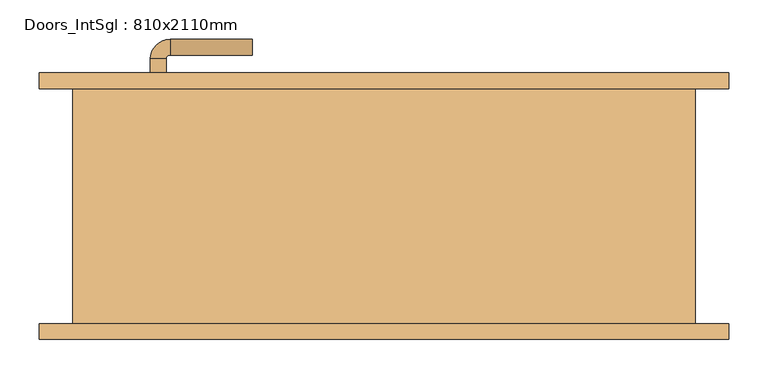
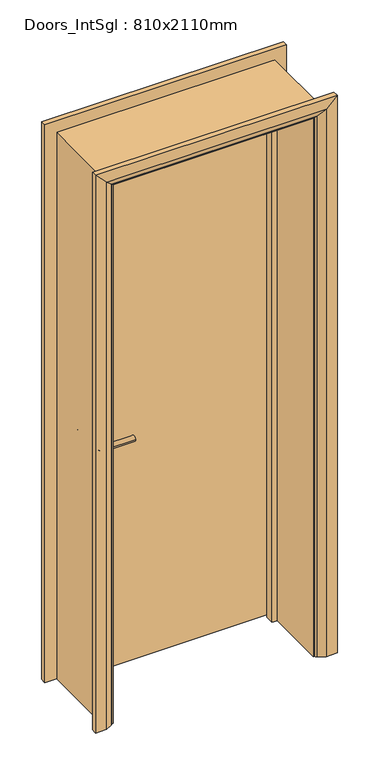
"""IFC4 building model written with IfcOpenShell, lengths in millimetres: door geometry, Doors_IntSgl : 810x2110mm."""

from ifc_helpers import new_model, si_unit, point, frame, frame_2d, origin, place, context, project, spatial, polyline, circle_curve, ellipse_curve, trimmed, segment, composite_curve, outline, extrude, faceted_brep, source, transform, mapped, element, save
from ifc_brep_helpers import plane_surface, cylinder_surface, revolved_surface, advanced_brep


def doors_intsgl_810x2110mm_bf6118a2(model_context):
    return source(origin(), model_context, "Body", "SolidModel", [
        advanced_brep(
        [(-298.0, 104.0, 900.0), (-278.0, 104.0, 900.0), (-278.0, 74.0, 900.0), (-298.0, 74.0, 900.0), (-273.0, 69.0, 900.0), (-273.0, 49.0, 900.0), (-168.0, 49.0, 900.0), (-168.0, 69.0, 900.0)],
        [
            (0, 1, circle_curve(frame((-288.0, 104.0, 900.0), z_axis=(0.0, 1.0, 0.0), x_axis=(1.0, 0.0, 0.0)), 10.0)),
            (1, 0, circle_curve(frame((-288.0, 104.0, 900.0), z_axis=(0.0, 1.0, 0.0), x_axis=(1.0, 0.0, 0.0)), 10.0)),
            (1, 2),
            (2, 3, circle_curve(frame((-288.0, 74.0, 900.0), z_axis=(0.0, 1.0, 0.0), x_axis=(1.0, 0.0, 0.0)), 10.0)),
            (3, 0),
            (3, 2, circle_curve(frame((-288.0, 74.0, 900.0), z_axis=(0.0, 1.0, 0.0), x_axis=(1.0, 0.0, 0.0)), 10.0)),
            (4, 5, circle_curve(frame((-273.0, 59.0, 900.0), z_axis=(-1.0, 0.0, 0.0), x_axis=(0.0, 1.0, 0.0)), 10.0)),
            (5, 3, circle_curve(frame((-273.0, 74.0, 900.0), z_axis=(0.0, 0.0, -1.0), x_axis=(-1.0, 0.0, 0.0)), 25.0)),
            (2, 4, circle_curve(frame((-273.0, 74.0, 900.0), z_axis=(0.0, 0.0, 1.0), x_axis=(-1.0, 0.0, 0.0)), 5.0)),
            (5, 4, circle_curve(frame((-273.0, 59.0, 900.0), z_axis=(-1.0, 0.0, 0.0), x_axis=(0.0, 1.0, 0.0)), 10.0)),
            (6, 7, circle_curve(frame((-168.0, 59.0, 900.0), z_axis=(1.0, 0.0, 0.0), x_axis=(0.0, 1.0, 0.0)), 10.0)),
            (7, 6, circle_curve(frame((-168.0, 59.0, 900.0), z_axis=(1.0, 0.0, 0.0), x_axis=(0.0, 1.0, 0.0)), 10.0)),
            (4, 7),
            (6, 5),
        ],
        [
            plane_surface(frame((-288.0, 104.0, 900.0), z_axis=(0.0, 1.0, 0.0), x_axis=(0.0, 0.0, 1.0))),
            cylinder_surface(frame((-288.0, 104.0, 900.0), z_axis=(0.0, 1.0, 0.0), x_axis=(1.0, 0.0, 0.0)), 10.0),
            revolved_surface(trimmed(ellipse_curve(frame((-288.0, 74.0, 900.0), z_axis=(0.0, -1.0, 0.0), x_axis=(1.0, 0.0, 0.0)), 10.0, 10.0), [point((-298.0, 74.0, 900.0))], [point((-278.0, 74.0, 900.0))], True, "CARTESIAN"), (-273.0, 74.0, 900.0), (0.0, 0.0, -1.0)),
            revolved_surface(trimmed(ellipse_curve(frame((-288.0, 74.0, 900.0), z_axis=(0.0, -1.0, 0.0), x_axis=(1.0, 0.0, 0.0)), 10.0, 10.0), [point((-278.0, 74.0, 900.0))], [point((-298.0, 74.0, 900.0))], True, "CARTESIAN"), (-273.0, 74.0, 900.0), (0.0, 0.0, -1.0)),
            plane_surface(frame((-168.0, 59.0, 900.0), z_axis=(1.0, 0.0, 0.0), x_axis=(0.0, 0.0, 1.0))),
            cylinder_surface(frame((-273.0, 59.0, 900.0), z_axis=(-1.0, 0.0, 0.0), x_axis=(0.0, 1.0, 0.0)), 10.0),
        ],
        [
            (0, [[1, 2]]),
            (1, [[3, 4, 5, -2]]),
            (1, [[-5, 6, -3, -1]]),
            (2, [[7, 8, -4, 9]]),
            (3, [[10, -9, -6, -8]]),
            (4, [[11, 12]]),
            (5, [[13, -11, 14, -7]]),
            (5, [[-14, -12, -13, -10]]),
        ],
    ),
        extrude(outline(composite_curve([segment(trimmed(circle_curve(frame_2d((900.0, -290.5)), 30.0), [point((900.0, -320.5))], [point((900.0, -260.5))], False, "CARTESIAN"), True, "CONTINUOUS"), segment(trimmed(circle_curve(frame_2d((900.0, -290.5)), 30.0), [point((900.0, -260.5))], [point((900.0, -320.5))], False, "CARTESIAN"), True, "CONTINUOUS")], self_intersect=False)), frame((0.0, 104.0, 0.0), z_axis=(0.0, 1.0, 0.0), x_axis=(0.0, 0.0, 1.0)), (0.0, 0.0, 1.0), 8.0),
        advanced_brep(
        [(-298.0, 158.0, 900.0), (-278.0, 158.0, 900.0), (-298.0, 188.0, 900.0), (-278.0, 188.0, 900.0), (-273.0, 193.0, 900.0), (-273.0, 213.0, 900.0), (-168.0, 213.0, 900.0), (-168.0, 193.0, 900.0)],
        [
            (0, 1, circle_curve(frame((-288.0, 158.0, 900.0), z_axis=(0.0, -1.0, 0.0), x_axis=(1.0, 0.0, 0.0)), 10.0)),
            (1, 0, circle_curve(frame((-288.0, 158.0, 900.0), z_axis=(0.0, -1.0, 0.0), x_axis=(1.0, 0.0, 0.0)), 10.0)),
            (0, 2),
            (2, 3, circle_curve(frame((-288.0, 188.0, 900.0), z_axis=(0.0, -1.0, 0.0), x_axis=(1.0, 0.0, 0.0)), 10.0)),
            (3, 1),
            (3, 2, circle_curve(frame((-288.0, 188.0, 900.0), z_axis=(0.0, -1.0, 0.0), x_axis=(1.0, 0.0, 0.0)), 10.0)),
            (4, 3, circle_curve(frame((-273.0, 188.0, 900.0), z_axis=(0.0, 0.0, 1.0), x_axis=(-1.0, 0.0, 0.0)), 5.0)),
            (2, 5, circle_curve(frame((-273.0, 188.0, 900.0), z_axis=(0.0, 0.0, -1.0), x_axis=(-1.0, 0.0, 0.0)), 25.0)),
            (5, 4, circle_curve(frame((-273.0, 203.0, 900.0), z_axis=(-1.0, 0.0, 0.0), x_axis=(0.0, -1.0, 0.0)), 10.0)),
            (4, 5, circle_curve(frame((-273.0, 203.0, 900.0), z_axis=(-1.0, 0.0, 0.0), x_axis=(0.0, -1.0, 0.0)), 10.0)),
            (6, 7, circle_curve(frame((-168.0, 203.0, 900.0), z_axis=(1.0, 0.0, 0.0), x_axis=(0.0, -1.0, 0.0)), 10.0)),
            (7, 6, circle_curve(frame((-168.0, 203.0, 900.0), z_axis=(1.0, 0.0, 0.0), x_axis=(0.0, -1.0, 0.0)), 10.0)),
            (5, 6),
            (7, 4),
        ],
        [
            plane_surface(frame((-288.0, 158.0, 900.0), z_axis=(0.0, -1.0, 0.0), x_axis=(0.0, 0.0, 1.0))),
            cylinder_surface(frame((-288.0, 158.0, 900.0), z_axis=(0.0, -1.0, 0.0), x_axis=(1.0, 0.0, 0.0)), 10.0),
            revolved_surface(trimmed(ellipse_curve(frame((-288.0, 188.0, 900.0), z_axis=(0.0, -1.0, 0.0), x_axis=(1.0, 0.0, 0.0)), 10.0, 10.0), [point((-298.0, 188.0, 900.0))], [point((-278.0, 188.0, 900.0))], True, "CARTESIAN"), (-273.0, 188.0, 900.0), (0.0, 0.0, -1.0)),
            revolved_surface(trimmed(ellipse_curve(frame((-288.0, 188.0, 900.0), z_axis=(0.0, -1.0, 0.0), x_axis=(1.0, 0.0, 0.0)), 10.0, 10.0), [point((-278.0, 188.0, 900.0))], [point((-298.0, 188.0, 900.0))], True, "CARTESIAN"), (-273.0, 188.0, 900.0), (0.0, 0.0, -1.0)),
            plane_surface(frame((-168.0, 203.0, 900.0), z_axis=(1.0, 0.0, 0.0), x_axis=(0.0, 0.0, 1.0))),
            cylinder_surface(frame((-273.0, 203.0, 900.0), z_axis=(-1.0, 0.0, 0.0), x_axis=(0.0, -1.0, 0.0)), 10.0),
        ],
        [
            (0, [[1, 2]]),
            (1, [[-1, 3, 4, 5]]),
            (1, [[-2, -5, 6, -3]]),
            (2, [[7, -4, 8, 9]]),
            (3, [[-8, -6, -7, 10]]),
            (4, [[11, 12]]),
            (5, [[-9, 13, -12, 14]]),
            (5, [[-10, -14, -11, -13]]),
        ],
    ),
        extrude(outline(composite_curve([segment(trimmed(circle_curve(frame_2d((900.0, -290.5)), 30.0), [point((900.0, -320.5))], [point((900.0, -260.5))], False, "CARTESIAN"), True, "CONTINUOUS"), segment(trimmed(circle_curve(frame_2d((900.0, -290.5)), 30.0), [point((900.0, -260.5))], [point((900.0, -320.5))], False, "CARTESIAN"), True, "CONTINUOUS")], self_intersect=False)), frame((0.0, 150.0, 0.0), z_axis=(0.0, 1.0, 0.0), x_axis=(0.0, 0.0, 1.0)), (0.0, 0.0, 1.0), 8.0),
        extrude(outline(polyline([(363.0, 112.0), (-363.0, 112.0), (-363.0, 150.0), (363.0, 150.0), (363.0, 112.0)])), frame((0.0, 0.0, 8.0), z_axis=(0.0, 0.0, 1.0), x_axis=(1.0, 0.0, 0.0)), (0.0, 0.0, 1.0), 2060.0),
        advanced_brep(
        [(440.0, 170.0, 0.0), (440.0, 150.0, 0.0), (370.0, 150.0, 0.0), (374.0, 156.0, 0.0), (400.0, 170.0, 0.0), (440.0, 170.0, 2145.0), (440.0, 150.0, 2145.0), (-440.0, 150.0, 2145.0), (-440.0, 150.0, 0.0), (-370.0, 150.0, 0.0), (-370.0, 150.0, 2075.0), (370.0, 150.0, 2075.0), (374.0, 156.0, 2079.0), (400.0, 170.0, 2105.0), (-400.0, 170.0, 2105.0), (-400.0, 170.0, 0.0), (-440.0, 170.0, 0.0), (-440.0, 170.0, 2145.0), (-374.0, 156.0, 2079.0), (-374.0, 156.0, 0.0)],
        [
            (0, 1),
            (1, 2),
            (2, 3, circle_curve(frame((378.0, 149.0, 0.0), z_axis=(0.0, 0.0, -1.0), x_axis=(1.0, 0.0, 0.0)), 8.0622577)),
            (3, 4),
            (4, 0),
            (0, 5),
            (5, 6),
            (6, 1),
            (6, 7),
            (7, 8),
            (8, 9),
            (9, 10),
            (10, 11),
            (11, 2),
            (11, 12, ellipse_curve(frame((378.0, 149.0, 2083.0), z_axis=(0.7071067811865475, 0.0, -0.7071067811865475), x_axis=(-0.7071067811865474, 0.0, -0.7071067811865476)), 11.4017543, 8.0622577)),
            (12, 3),
            (12, 13),
            (13, 4),
            (13, 14),
            (14, 15),
            (15, 16),
            (16, 17),
            (17, 5),
            (17, 7),
            (10, 18, ellipse_curve(frame((-378.0, 149.0, 2083.0), z_axis=(0.7071067811865475, 0.0, 0.7071067811865475), x_axis=(0.7071067811865476, 0.0, -0.7071067811865474)), 11.4017543, 8.0622577)),
            (18, 12),
            (18, 14),
            (15, 19),
            (19, 9, circle_curve(frame((-378.0, 149.0, 0.0), z_axis=(0.0, 0.0, -1.0), x_axis=(-1.0, 0.0, 0.0)), 8.0622577)),
            (8, 16),
            (19, 18),
        ],
        [
            plane_surface(frame((370.0, 150.0, 0.0), z_axis=(0.0, 0.0, -1.0), x_axis=(0.0, -1.0, 0.0))),
            plane_surface(frame((440.0, 170.0, 0.0), z_axis=(1.0, 0.0, 0.0), x_axis=(0.0, 0.0, 1.0))),
            plane_surface(frame((440.0, 150.0, 0.0), z_axis=(0.0, -1.0, 0.0), x_axis=(0.0, 0.0, 1.0))),
            cylinder_surface(frame((378.0, 149.0, 0.0), z_axis=(0.0, 0.0, -1.0), x_axis=(1.0, 0.0, 0.0)), 8.0622577),
            plane_surface(frame((374.0, 156.0, 0.0), z_axis=(-0.4740998230350126, 0.880471099922178, 0.0), x_axis=(0.0, 0.0, 1.0))),
            plane_surface(frame((400.0, 170.0, 0.0), z_axis=(0.0, 1.0, 0.0), x_axis=(0.0, 0.0, 1.0))),
            plane_surface(frame((440.0, 170.0, 2145.0), z_axis=(0.0, 0.0, 1.0), x_axis=(-1.0, 0.0, 0.0))),
            cylinder_surface(frame((370.0, 149.0, 2083.0), z_axis=(1.0, 0.0, 0.0), x_axis=(0.0, 0.0, 1.0)), 8.0622577),
            plane_surface(frame((374.0, 156.0, 2079.0), z_axis=(0.0, 0.8804710999221764, -0.4740998230350154), x_axis=(-1.0, 0.0, 0.0))),
            plane_surface(frame((-370.0, 150.0, 0.0), z_axis=(0.0, 0.0, -1.0), x_axis=(0.0, -1.0, 0.0))),
            plane_surface(frame((-440.0, 170.0, 2145.0), z_axis=(-1.0, 0.0, 0.0), x_axis=(0.0, 0.0, -1.0))),
            cylinder_surface(frame((-378.0, 149.0, 2075.0), z_axis=(0.0, 0.0, 1.0), x_axis=(-1.0, 0.0, 0.0)), 8.0622577),
            plane_surface(frame((-374.0, 156.0, 2079.0), z_axis=(0.47409982303501824, 0.8804710999221749, 0.0), x_axis=(0.0, 0.0, -1.0))),
        ],
        [
            (0, [[1, 2, 3, 4, 5]]),
            (1, [[-1, 6, 7, 8]]),
            (2, [[-2, -8, 9, 10, 11, 12, 13, 14]]),
            (3, [[-3, -14, 15, 16]]),
            (4, [[-4, -16, 17, 18]]),
            (5, [[-5, -18, 19, 20, 21, 22, 23, -6]]),
            (6, [[-7, -23, 24, -9]]),
            (7, [[-15, -13, 25, 26]]),
            (8, [[-17, -26, 27, -19]]),
            (9, [[-21, 28, 29, -11, 30]]),
            (10, [[-24, -22, -30, -10]]),
            (11, [[-25, -12, -29, 31]]),
            (12, [[-27, -31, -28, -20]]),
        ],
    ),
        extrude(outline(polyline([(0.0, -365.0), (0.0, -346.0), (2051.0, -346.0), (2051.0, 346.0), (0.0, 346.0), (0.0, 365.0), (2070.0, 365.0), (2070.0, -365.0), (0.0, -365.0)])), frame((0.0, 78.0, 0.0), z_axis=(0.0, 1.0, 0.0), x_axis=(0.0, 0.0, 1.0)), (0.0, 0.0, 1.0), 32.0),
        advanced_brep(
        [(-440.0, -170.0, 0.0), (-440.0, -150.0, 0.0), (-370.0, -150.0, 0.0), (-374.0, -156.0, 0.0), (-400.0, -170.0, 0.0), (-440.0, -170.0, 2145.0), (-440.0, -150.0, 2145.0), (-370.0, -150.0, 2075.0), (-374.0, -156.0, 2079.0), (-400.0, -170.0, 2105.0), (440.0, -170.0, 2145.0), (440.0, -150.0, 2145.0), (370.0, -150.0, 2075.0), (374.0, -156.0, 2079.0), (400.0, -170.0, 2105.0), (440.0, -170.0, 0.0), (400.0, -170.0, 0.0), (374.0, -156.0, 0.0), (370.0, -150.0, 0.0), (440.0, -150.0, 0.0)],
        [
            (0, 1),
            (1, 2),
            (2, 3, circle_curve(frame((-378.0, -149.0, 0.0), z_axis=(0.0, 0.0, -1.0), x_axis=(-1.0, 0.0, 0.0)), 8.0622577)),
            (3, 4),
            (4, 0),
            (0, 5),
            (5, 6),
            (6, 1),
            (6, 7),
            (7, 2),
            (7, 8, ellipse_curve(frame((-378.0, -149.0, 2083.0), z_axis=(-0.7071067811865475, 0.0, -0.7071067811865475), x_axis=(0.7071067811865474, 0.0, -0.7071067811865476)), 11.4017543, 8.0622577)),
            (8, 3),
            (8, 9),
            (9, 4),
            (9, 5),
            (5, 10),
            (10, 11),
            (11, 6),
            (11, 12),
            (12, 7),
            (12, 13, ellipse_curve(frame((378.0, -149.0, 2083.0), z_axis=(-0.7071067811865475, 0.0, 0.7071067811865475), x_axis=(-0.7071067811865476, 0.0, -0.7071067811865474)), 11.4017543, 8.0622577)),
            (13, 8),
            (13, 14),
            (14, 9),
            (14, 10),
            (15, 16),
            (16, 17),
            (17, 18, circle_curve(frame((378.0, -149.0, 0.0), z_axis=(0.0, 0.0, -1.0), x_axis=(1.0, 0.0, 0.0)), 8.0622577)),
            (18, 19),
            (19, 15),
            (10, 15),
            (19, 11),
            (18, 12),
            (17, 13),
            (16, 14),
        ],
        [
            plane_surface(frame((-370.0, -222.8010989, 0.0), z_axis=(0.0, 0.0, -1.0), x_axis=(1.0, 0.0, 0.0))),
            plane_surface(frame((-440.0, -170.0, 0.0), z_axis=(-1.0, 0.0, 0.0), x_axis=(0.0, 0.0, 1.0))),
            plane_surface(frame((-440.0, -150.0, 0.0), z_axis=(0.0, 1.0, 0.0), x_axis=(0.0, 0.0, 1.0))),
            cylinder_surface(frame((-378.0, -149.0, 0.0), z_axis=(0.0, 0.0, -1.0), x_axis=(-1.0, 0.0, 0.0)), 8.0622577),
            plane_surface(frame((-374.0, -156.0, 0.0), z_axis=(0.4740998230350183, -0.8804710999221749, 0.0), x_axis=(0.0, 0.0, 1.0))),
            plane_surface(frame((-400.0, -170.0, 0.0), z_axis=(0.0, -1.0, 0.0), x_axis=(0.0, 0.0, 1.0))),
            plane_surface(frame((-440.0, -170.0, 2145.0), z_axis=(0.0, 0.0, 1.0), x_axis=(1.0, 0.0, 0.0))),
            plane_surface(frame((-440.0, -150.0, 2145.0), z_axis=(0.0, 1.0, 0.0), x_axis=(1.0, 0.0, 0.0))),
            cylinder_surface(frame((-370.0, -149.0, 2083.0), z_axis=(-1.0, 0.0, 0.0), x_axis=(0.0, 0.0, 1.0)), 8.0622577),
            plane_surface(frame((-374.0, -156.0, 2079.0), z_axis=(0.0, -0.8804710999221749, -0.4740998230350183), x_axis=(1.0, 0.0, 0.0))),
            plane_surface(frame((-400.0, -170.0, 2105.0), z_axis=(0.0, -1.0, 0.0), x_axis=(1.0, 0.0, 0.0))),
            plane_surface(frame((370.0, -222.8010989, 0.0), z_axis=(0.0, 0.0, -1.0), x_axis=(-1.0, 0.0, 0.0))),
            plane_surface(frame((440.0, -170.0, 2145.0), z_axis=(1.0, 0.0, 0.0), x_axis=(0.0, 0.0, -1.0))),
            plane_surface(frame((440.0, -150.0, 2145.0), z_axis=(0.0, 1.0, 0.0), x_axis=(0.0, 0.0, -1.0))),
            cylinder_surface(frame((378.0, -149.0, 2075.0), z_axis=(0.0, 0.0, 1.0), x_axis=(1.0, 0.0, 0.0)), 8.0622577),
            plane_surface(frame((374.0, -156.0, 2079.0), z_axis=(-0.4740998230350183, -0.8804710999221749, 0.0), x_axis=(0.0, 0.0, -1.0))),
            plane_surface(frame((400.0, -170.0, 2105.0), z_axis=(0.0, -1.0, 0.0), x_axis=(0.0, 0.0, -1.0))),
        ],
        [
            (0, [[1, 2, 3, 4, 5]]),
            (1, [[-1, 6, 7, 8]]),
            (2, [[-2, -8, 9, 10]]),
            (3, [[-3, -10, 11, 12]]),
            (4, [[-4, -12, 13, 14]]),
            (5, [[-5, -14, 15, -6]]),
            (6, [[-7, 16, 17, 18]]),
            (7, [[-9, -18, 19, 20]]),
            (8, [[-11, -20, 21, 22]]),
            (9, [[-13, -22, 23, 24]]),
            (10, [[-15, -24, 25, -16]]),
            (11, [[26, 27, 28, 29, 30]]),
            (12, [[-17, 31, -30, 32]]),
            (13, [[-19, -32, -29, 33]]),
            (14, [[-21, -33, -28, 34]]),
            (15, [[-23, -34, -27, 35]]),
            (16, [[-25, -35, -26, -31]]),
        ],
    ),
        faceted_brep([(-365.0, 150.0, 0.0), (-365.0, -150.0, 0.0), (-397.0, -150.0, 0.0), (-397.0, 150.0, 0.0), (-365.0, 150.0, 2070.0), (-365.0, -150.0, 2070.0), (-397.0, -150.0, 2102.0), (-397.0, 150.0, 2102.0), (365.0, 150.0, 2070.0), (365.0, -150.0, 2070.0), (397.0, -150.0, 2102.0), (397.0, 150.0, 2102.0), (365.0, 150.0, 0.0), (397.0, 150.0, 0.0), (397.0, -150.0, 0.0), (365.0, -150.0, 0.0)], [[[0, 1, 2, 3]], [[1, 0, 4, 5]], [[2, 1, 5, 6]], [[3, 2, 6, 7]], [[0, 3, 7, 4]], [[5, 4, 8, 9]], [[6, 5, 9, 10]], [[7, 6, 10, 11]], [[4, 7, 11, 8]], [[12, 13, 14, 15]], [[9, 8, 12, 15]], [[10, 9, 15, 14]], [[11, 10, 14, 13]], [[8, 11, 13, 12]]]),
    ])


if __name__ == "__main__":
    model = new_model("IFC4")
    model_context = context("Model", 3, world=origin())
    ifc_project = project(units=[si_unit("LENGTHUNIT", "METRE", prefix="MILLI")], contexts=[model_context])
    site = spatial("IfcSite", under=ifc_project)
    building = spatial("IfcBuilding", under=site)
    placement = place(None, origin())
    doors_intsgl_810x2110mm_shape = doors_intsgl_810x2110mm_bf6118a2(model_context)
    element("IfcDoor", 1, ObjectType="Doors_IntSgl : 810x2110mm", at=placement, inside=building, context=model_context, shape_type="MappedRepresentation", body=[
        mapped(doors_intsgl_810x2110mm_shape, transform((0.0, 0.0, 0.0), x_axis=(1.0, 0.0, 0.0), y_axis=(0.0, 1.0, 0.0), z_axis=(0.0, 0.0, 1.0))),
    ])
    save(model, "model.ifc")
